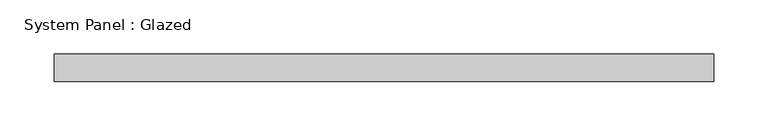
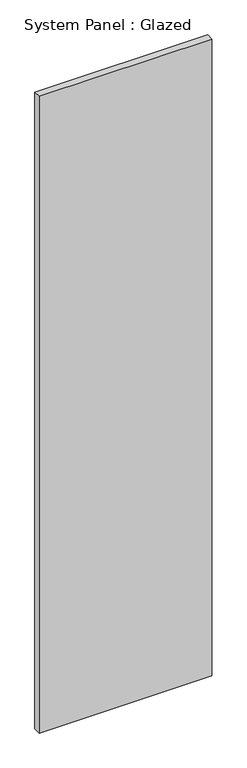
"""IFC4 building model written with IfcOpenShell, lengths in millimetres: plate geometry, System Panel : Glazed."""

import ifcopenshell
import ifcopenshell.guid

model = None  # the IFC model being written
_history = None  # IfcOwnerHistory: only IFC2X3 demands one
_inside = {}  # id of a spatial element -> (the spatial element, [elements in it])
_under = {}  # id of a project, library or spatial element -> (it, [spatial elements below it])
_declared = {}  # id of a project -> (the project, [libraries it declares])
_typed = {}  # id of a type object -> (the type object, [elements of that type])
_made_of = {}  # id of a material, layer set ... -> (it, [elements and type objects made of it])


def new_model(schema):
    """Start an empty IFC model of exactly this schema.

    Asked for "IFC4X3", IfcOpenShell would pick the latest addendum, in which some entities
    have other attributes; the version numbers below select the first issue.
    IFC2X3 requires an IfcOwnerHistory on every rooted entity: one is made here for all.
    """
    global model, _history
    if schema == "IFC4X3":
        model = ifcopenshell.file(schema_version=(4, 3, 0, 0))
    else:
        model = ifcopenshell.file(schema=schema)
    _inside.clear()
    _under.clear()
    _declared.clear()
    _typed.clear()
    _made_of.clear()
    _history = None
    if model.schema == "IFC2X3":
        org = make("IfcOrganization", Name="unknown")
        user = make(
            "IfcPersonAndOrganization",
            ThePerson=make("IfcPerson", FamilyName="unknown"),
            TheOrganization=org,
        )
        app = make(
            "IfcApplication",
            ApplicationDeveloper=org,
            Version="unknown",
            ApplicationFullName="unknown",
            ApplicationIdentifier="unknown",
        )
        _history = make(
            "IfcOwnerHistory",
            OwningUser=user,
            OwningApplication=app,
            ChangeAction="ADDED",
            CreationDate=0,
        )
    return model


def make(cls, **values):
    """One entity of the class cls with the attributes given. An attribute that is None is left unset."""
    return model.create_entity(
        cls, **{name: value for name, value in values.items() if value is not None}
    )


def rooted(cls, **values):
    """An entity with a GlobalId (a new one), such as an element, a storey or a relation."""
    return make(cls, GlobalId=ifcopenshell.guid.new(), OwnerHistory=_history, **values)


def si_unit(unit_type, name, prefix=None):
    """IfcSIUnit, for example si_unit("LENGTHUNIT", "METRE", prefix="MILLI")."""
    return make("IfcSIUnit", UnitType=unit_type, Prefix=prefix, Name=name)


def assignment(units):
    """IfcUnitAssignment: the units of a project."""
    return None if units is None else make("IfcUnitAssignment", Units=units)


def point(xyz):
    """IfcCartesianPoint."""
    return None if xyz is None else make("IfcCartesianPoint", Coordinates=xyz)


def direction(xyz):
    """IfcDirection."""
    return None if xyz is None else make("IfcDirection", DirectionRatios=xyz)


def frame(location, z_axis=None, x_axis=None):
    """IfcAxis2Placement3D, a coordinate frame: its origin and axes. An axis left out is left unset."""
    return make(
        "IfcAxis2Placement3D",
        Location=point(location),
        Axis=direction(z_axis),
        RefDirection=direction(x_axis),
    )


def origin():
    """The frame at (0, 0, 0) with its axes left unset."""
    return frame((0.0, 0.0, 0.0))


def origin_with_axes():
    """The frame at (0, 0, 0) with the z axis (0, 0, 1) and the x axis (1, 0, 0) written out."""
    return frame((0.0, 0.0, 0.0), z_axis=(0.0, 0.0, 1.0), x_axis=(1.0, 0.0, 0.0))


def place(relative_to, where):
    """IfcLocalPlacement: puts the frame where relative to a parent placement (None: the world)."""
    return make(
        "IfcLocalPlacement", PlacementRelTo=relative_to, RelativePlacement=where
    )


def context(
    kind, dimensions, precision=None, world=None, true_north=None, identifier=None
):
    """IfcGeometricRepresentationContext, for example the 3D "Model" context."""
    return make(
        "IfcGeometricRepresentationContext",
        ContextIdentifier=identifier,
        ContextType=kind,
        CoordinateSpaceDimension=dimensions,
        Precision=precision,
        WorldCoordinateSystem=world,
        TrueNorth=true_north,
    )


def project(units=None, contexts=None):
    """IfcProject with its units and contexts."""
    return rooted(
        "IfcProject",
        Name="project",
        RepresentationContexts=contexts,
        UnitsInContext=assignment(units),
    )


def spatial(cls, under=None, at=None, **own):
    """A site, building, storey or space (cls), placed at a placement, below another one or the project."""
    s = rooted(cls, ObjectPlacement=at, **own)
    if under is not None:
        _under.setdefault(under.id(), (under, []))[1].append(s)
    return s


def polyline(points):
    """IfcPolyline through the points."""
    return make("IfcPolyline", Points=[point(p) for p in points])


def outline(outer, holes=None, kind="AREA"):
    """IfcArbitraryClosedProfileDef: a profile drawn as a closed curve; with holes, ...WithVoids."""
    if holes is None:
        return make("IfcArbitraryClosedProfileDef", ProfileType=kind, OuterCurve=outer)
    return make(
        "IfcArbitraryProfileDefWithVoids",
        ProfileType=kind,
        OuterCurve=outer,
        InnerCurves=holes,
    )


def extrude(swept, where, along, depth):
    """IfcExtrudedAreaSolid: the profile swept, set in the frame where, extruded along a direction by depth."""
    return make(
        "IfcExtrudedAreaSolid",
        SweptArea=swept,
        Position=where,
        ExtrudedDirection=direction(along),
        Depth=depth,
    )


def shape(context_of_items, identifier, shape_type, items):
    """IfcShapeRepresentation: the items that make up one representation, for example the "Body"."""
    return make(
        "IfcShapeRepresentation",
        ContextOfItems=context_of_items,
        RepresentationIdentifier=identifier,
        RepresentationType=shape_type,
        Items=items,
    )


def source(mapping_origin, context_of_items, identifier, shape_type, items):
    """IfcRepresentationMap: a shape defined once, which mapped items show again and again."""
    return make(
        "IfcRepresentationMap",
        MappingOrigin=mapping_origin,
        MappedRepresentation=shape(context_of_items, identifier, shape_type, items),
    )


def transform(
    local_origin,
    x_axis=None,
    y_axis=None,
    z_axis=None,
    scale=None,
    scale2=None,
    scale3=None,
    uniform=True,
):
    """IfcCartesianTransformationOperator3D, or its non-uniform kind. x_axis, y_axis, z_axis: its Axis1, 2, 3."""
    if uniform:
        return make(
            "IfcCartesianTransformationOperator3D",
            Axis1=direction(x_axis),
            Axis2=direction(y_axis),
            LocalOrigin=point(local_origin),
            Scale=scale,
            Axis3=direction(z_axis),
        )
    return make(
        "IfcCartesianTransformationOperator3DnonUniform",
        Axis1=direction(x_axis),
        Axis2=direction(y_axis),
        LocalOrigin=point(local_origin),
        Scale=scale,
        Axis3=direction(z_axis),
        Scale2=scale2,
        Scale3=scale3,
    )


def mapped(mapping_source, mapping_target):
    """IfcMappedItem: shows the shape of a source again, moved by a transform."""
    return make(
        "IfcMappedItem", MappingSource=mapping_source, MappingTarget=mapping_target
    )


def made_of(thing, what):
    """Note that an element or type object is made of a material, layer set ...; save() writes the relation."""
    if what is not None:
        _made_of.setdefault(what.id(), (what, []))[1].append(thing)
    return thing


def element(
    cls,
    number,
    at=None,
    inside=None,
    cuts=None,
    type_object=None,
    material=None,
    context=None,
    identifier="Body",
    shape_type=None,
    held_by="IfcProductDefinitionShape",
    body=None,
    shapes=None,
    **own,
):
    """One element of the class cls, such as IfcWall. Its Tag is "e" and its number.

    at: its placement. inside: the storey or other place that contains it. cuts: it is an
    opening in that element (IfcRelVoidsElement). A single representation is given by context,
    identifier, shape_type and body (its items); several are given by shapes. held_by: the class
    of the entity that holds the representations. save() writes the other relations.
    """
    e = rooted(cls, Tag="e%d" % number, ObjectPlacement=at, **own)
    if body is not None:
        shapes = [shape(context, identifier, shape_type, body)]
    if shapes is not None:
        e.Representation = make(held_by, Representations=shapes)
    if inside is not None:
        _inside.setdefault(inside.id(), (inside, []))[1].append(e)
    if cuts is not None:
        rooted(
            "IfcRelVoidsElement", RelatingBuildingElement=cuts, RelatedOpeningElement=e
        )
    if type_object is not None:
        _typed.setdefault(type_object.id(), (type_object, []))[1].append(e)
    return made_of(e, material)


def aggregate(whole, parts):
    """IfcRelAggregates: a whole, such as a stair, and the parts it consists of."""
    return rooted("IfcRelAggregates", RelatingObject=whole, RelatedObjects=parts)


def save(model, path):
    """Write the relations noted so far, then the file.

    IfcRelAggregates (storeys below a building ...), IfcRelContainedInSpatialStructure (elements
    in a storey), IfcRelDefinesByType, IfcRelAssociatesMaterial and IfcRelDeclares: one each for
    every whole, place, type object, material and project.
    """
    for whole, parts in _under.values():
        aggregate(whole, parts)
    for where, things in _inside.values():
        rooted(
            "IfcRelContainedInSpatialStructure",
            RelatedElements=things,
            RelatingStructure=where,
        )
    for kind, things in _typed.values():
        rooted("IfcRelDefinesByType", RelatedObjects=things, RelatingType=kind)
    for what, things in _made_of.values():
        rooted("IfcRelAssociatesMaterial", RelatedObjects=things, RelatingMaterial=what)
    for by, libraries in _declared.values():
        rooted("IfcRelDeclares", RelatingContext=by, RelatedDefinitions=libraries)
    model.write(path)


def system_panel_glazed_bade8c8a(model_context):
    return source(origin(), model_context, "Body", "SweptSolid", [
        extrude(outline(polyline([(304.0126, -12.7), (-304.0126, -12.7), (-304.0126, 12.7), (304.0126, 12.7), (304.0126, -12.7)])), origin_with_axes(), (0.0, 0.0, 1.0), 2367.7626),
    ])


if __name__ == "__main__":
    model = new_model("IFC4")
    model_context = context("Model", 3, world=origin())
    ifc_project = project(units=[si_unit("LENGTHUNIT", "METRE", prefix="MILLI")], contexts=[model_context])
    site = spatial("IfcSite", under=ifc_project)
    building = spatial("IfcBuilding", under=site)
    placement = place(None, origin())
    system_panel_glazed_shape = system_panel_glazed_bade8c8a(model_context)
    element("IfcPlate", 1, ObjectType="System Panel : Glazed", at=placement, inside=building, context=model_context, shape_type="MappedRepresentation", body=[
        mapped(system_panel_glazed_shape, transform((0.0, 0.0, 0.0), x_axis=(1.0, 0.0, 0.0), y_axis=(0.0, 1.0, 0.0), z_axis=(0.0, 0.0, 1.0))),
    ])
    save(model, "model.ifc")
